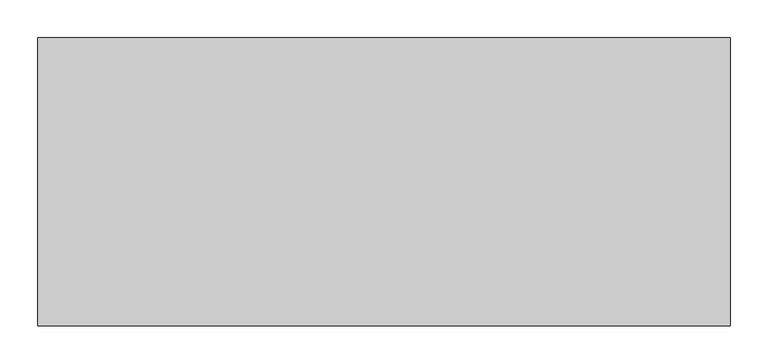
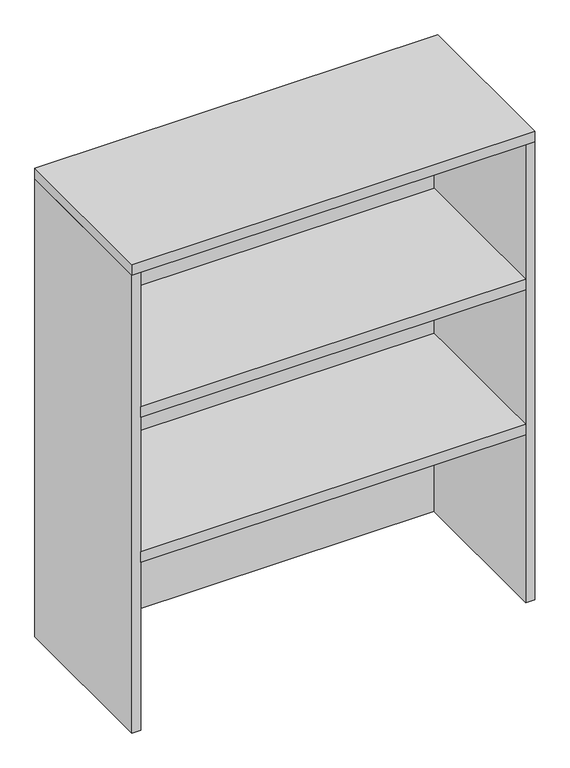
"""IFC4 building model written with IfcOpenShell, lengths in millimetres: furniture geometry."""

import ifcopenshell
import ifcopenshell.guid

model = None  # the IFC model being written
_history = None  # IfcOwnerHistory: only IFC2X3 demands one
_inside = {}  # id of a spatial element -> (the spatial element, [elements in it])
_under = {}  # id of a project, library or spatial element -> (it, [spatial elements below it])
_declared = {}  # id of a project -> (the project, [libraries it declares])
_typed = {}  # id of a type object -> (the type object, [elements of that type])
_made_of = {}  # id of a material, layer set ... -> (it, [elements and type objects made of it])


def new_model(schema):
    """Start an empty IFC model of exactly this schema.

    Asked for "IFC4X3", IfcOpenShell would pick the latest addendum, in which some entities
    have other attributes; the version numbers below select the first issue.
    IFC2X3 requires an IfcOwnerHistory on every rooted entity: one is made here for all.
    """
    global model, _history
    if schema == "IFC4X3":
        model = ifcopenshell.file(schema_version=(4, 3, 0, 0))
    else:
        model = ifcopenshell.file(schema=schema)
    _inside.clear()
    _under.clear()
    _declared.clear()
    _typed.clear()
    _made_of.clear()
    _history = None
    if model.schema == "IFC2X3":
        org = make("IfcOrganization", Name="unknown")
        user = make(
            "IfcPersonAndOrganization",
            ThePerson=make("IfcPerson", FamilyName="unknown"),
            TheOrganization=org,
        )
        app = make(
            "IfcApplication",
            ApplicationDeveloper=org,
            Version="unknown",
            ApplicationFullName="unknown",
            ApplicationIdentifier="unknown",
        )
        _history = make(
            "IfcOwnerHistory",
            OwningUser=user,
            OwningApplication=app,
            ChangeAction="ADDED",
            CreationDate=0,
        )
    return model


def make(cls, **values):
    """One entity of the class cls with the attributes given. An attribute that is None is left unset."""
    return model.create_entity(
        cls, **{name: value for name, value in values.items() if value is not None}
    )


def rooted(cls, **values):
    """An entity with a GlobalId (a new one), such as an element, a storey or a relation."""
    return make(cls, GlobalId=ifcopenshell.guid.new(), OwnerHistory=_history, **values)


def si_unit(unit_type, name, prefix=None):
    """IfcSIUnit, for example si_unit("LENGTHUNIT", "METRE", prefix="MILLI")."""
    return make("IfcSIUnit", UnitType=unit_type, Prefix=prefix, Name=name)


def assignment(units):
    """IfcUnitAssignment: the units of a project."""
    return None if units is None else make("IfcUnitAssignment", Units=units)


def point(xyz):
    """IfcCartesianPoint."""
    return None if xyz is None else make("IfcCartesianPoint", Coordinates=xyz)


def direction(xyz):
    """IfcDirection."""
    return None if xyz is None else make("IfcDirection", DirectionRatios=xyz)


def frame(location, z_axis=None, x_axis=None):
    """IfcAxis2Placement3D, a coordinate frame: its origin and axes. An axis left out is left unset."""
    return make(
        "IfcAxis2Placement3D",
        Location=point(location),
        Axis=direction(z_axis),
        RefDirection=direction(x_axis),
    )


def origin():
    """The frame at (0, 0, 0) with its axes left unset."""
    return frame((0.0, 0.0, 0.0))


def place(relative_to, where):
    """IfcLocalPlacement: puts the frame where relative to a parent placement (None: the world)."""
    return make(
        "IfcLocalPlacement", PlacementRelTo=relative_to, RelativePlacement=where
    )


def context(
    kind, dimensions, precision=None, world=None, true_north=None, identifier=None
):
    """IfcGeometricRepresentationContext, for example the 3D "Model" context."""
    return make(
        "IfcGeometricRepresentationContext",
        ContextIdentifier=identifier,
        ContextType=kind,
        CoordinateSpaceDimension=dimensions,
        Precision=precision,
        WorldCoordinateSystem=world,
        TrueNorth=true_north,
    )


def project(units=None, contexts=None):
    """IfcProject with its units and contexts."""
    return rooted(
        "IfcProject",
        Name="project",
        RepresentationContexts=contexts,
        UnitsInContext=assignment(units),
    )


def spatial(cls, under=None, at=None, **own):
    """A site, building, storey or space (cls), placed at a placement, below another one or the project."""
    s = rooted(cls, ObjectPlacement=at, **own)
    if under is not None:
        _under.setdefault(under.id(), (under, []))[1].append(s)
    return s


def polyline(points):
    """IfcPolyline through the points."""
    return make("IfcPolyline", Points=[point(p) for p in points])


def outline(outer, holes=None, kind="AREA"):
    """IfcArbitraryClosedProfileDef: a profile drawn as a closed curve; with holes, ...WithVoids."""
    if holes is None:
        return make("IfcArbitraryClosedProfileDef", ProfileType=kind, OuterCurve=outer)
    return make(
        "IfcArbitraryProfileDefWithVoids",
        ProfileType=kind,
        OuterCurve=outer,
        InnerCurves=holes,
    )


def extrude(swept, where, along, depth):
    """IfcExtrudedAreaSolid: the profile swept, set in the frame where, extruded along a direction by depth."""
    return make(
        "IfcExtrudedAreaSolid",
        SweptArea=swept,
        Position=where,
        ExtrudedDirection=direction(along),
        Depth=depth,
    )


def shape(context_of_items, identifier, shape_type, items):
    """IfcShapeRepresentation: the items that make up one representation, for example the "Body"."""
    return make(
        "IfcShapeRepresentation",
        ContextOfItems=context_of_items,
        RepresentationIdentifier=identifier,
        RepresentationType=shape_type,
        Items=items,
    )


def source(mapping_origin, context_of_items, identifier, shape_type, items):
    """IfcRepresentationMap: a shape defined once, which mapped items show again and again."""
    return make(
        "IfcRepresentationMap",
        MappingOrigin=mapping_origin,
        MappedRepresentation=shape(context_of_items, identifier, shape_type, items),
    )


def transform(
    local_origin,
    x_axis=None,
    y_axis=None,
    z_axis=None,
    scale=None,
    scale2=None,
    scale3=None,
    uniform=True,
):
    """IfcCartesianTransformationOperator3D, or its non-uniform kind. x_axis, y_axis, z_axis: its Axis1, 2, 3."""
    if uniform:
        return make(
            "IfcCartesianTransformationOperator3D",
            Axis1=direction(x_axis),
            Axis2=direction(y_axis),
            LocalOrigin=point(local_origin),
            Scale=scale,
            Axis3=direction(z_axis),
        )
    return make(
        "IfcCartesianTransformationOperator3DnonUniform",
        Axis1=direction(x_axis),
        Axis2=direction(y_axis),
        LocalOrigin=point(local_origin),
        Scale=scale,
        Axis3=direction(z_axis),
        Scale2=scale2,
        Scale3=scale3,
    )


def mapped(mapping_source, mapping_target):
    """IfcMappedItem: shows the shape of a source again, moved by a transform."""
    return make(
        "IfcMappedItem", MappingSource=mapping_source, MappingTarget=mapping_target
    )


def made_of(thing, what):
    """Note that an element or type object is made of a material, layer set ...; save() writes the relation."""
    if what is not None:
        _made_of.setdefault(what.id(), (what, []))[1].append(thing)
    return thing


def element(
    cls,
    number,
    at=None,
    inside=None,
    cuts=None,
    type_object=None,
    material=None,
    context=None,
    identifier="Body",
    shape_type=None,
    held_by="IfcProductDefinitionShape",
    body=None,
    shapes=None,
    **own,
):
    """One element of the class cls, such as IfcWall. Its Tag is "e" and its number.

    at: its placement. inside: the storey or other place that contains it. cuts: it is an
    opening in that element (IfcRelVoidsElement). A single representation is given by context,
    identifier, shape_type and body (its items); several are given by shapes. held_by: the class
    of the entity that holds the representations. save() writes the other relations.
    """
    e = rooted(cls, Tag="e%d" % number, ObjectPlacement=at, **own)
    if body is not None:
        shapes = [shape(context, identifier, shape_type, body)]
    if shapes is not None:
        e.Representation = make(held_by, Representations=shapes)
    if inside is not None:
        _inside.setdefault(inside.id(), (inside, []))[1].append(e)
    if cuts is not None:
        rooted(
            "IfcRelVoidsElement", RelatingBuildingElement=cuts, RelatedOpeningElement=e
        )
    if type_object is not None:
        _typed.setdefault(type_object.id(), (type_object, []))[1].append(e)
    return made_of(e, material)


def aggregate(whole, parts):
    """IfcRelAggregates: a whole, such as a stair, and the parts it consists of."""
    return rooted("IfcRelAggregates", RelatingObject=whole, RelatedObjects=parts)


def save(model, path):
    """Write the relations noted so far, then the file.

    IfcRelAggregates (storeys below a building ...), IfcRelContainedInSpatialStructure (elements
    in a storey), IfcRelDefinesByType, IfcRelAssociatesMaterial and IfcRelDeclares: one each for
    every whole, place, type object, material and project.
    """
    for whole, parts in _under.values():
        aggregate(whole, parts)
    for where, things in _inside.values():
        rooted(
            "IfcRelContainedInSpatialStructure",
            RelatedElements=things,
            RelatingStructure=where,
        )
    for kind, things in _typed.values():
        rooted("IfcRelDefinesByType", RelatedObjects=things, RelatingType=kind)
    for what, things in _made_of.values():
        rooted("IfcRelAssociatesMaterial", RelatedObjects=things, RelatingMaterial=what)
    for by, libraries in _declared.values():
        rooted("IfcRelDeclares", RelatingContext=by, RelatedDefinitions=libraries)
    model.write(path)


def furniture_4884305b(model_context):
    return source(origin(), model_context, "Body", "SweptSolid", [
        extrude(outline(polyline([(436.88, -190.5), (-436.88, -190.5), (-436.88, 170.18), (436.88, 170.18), (436.88, -190.5)])), frame((0.0, 0.0, 1472.7428), z_axis=(0.0, 0.0, 1.0), x_axis=(1.0, 0.0, 0.0)), (0.0, 0.0, 1.0), 25.4),
        extrude(outline(polyline([(436.88, -190.5), (-436.88, -190.5), (-436.88, 170.18), (436.88, 170.18), (436.88, -190.5)])), frame((0.0, 0.0, 1124.6104), z_axis=(0.0, 0.0, 1.0), x_axis=(1.0, 0.0, 0.0)), (0.0, 0.0, 1.0), 25.4),
        extrude(outline(polyline([(457.2, 190.5), (457.2, -190.5), (-457.2, -190.5), (-457.2, 190.5), (457.2, 190.5)])), frame((0.0, 0.0, 1820.8752), z_axis=(0.0, 0.0, 1.0), x_axis=(1.0, 0.0, 0.0)), (0.0, 0.0, 1.0), 25.4),
        extrude(outline(polyline([(436.88, 190.5), (436.88, 170.18), (-436.88, 170.18), (-436.88, 190.5), (436.88, 190.5)])), frame((0.0, 0.0, 722.3252), z_axis=(0.0, 0.0, 1.0), x_axis=(1.0, 0.0, 0.0)), (0.0, 0.0, 1.0), 1098.55),
        extrude(outline(polyline([(-457.2, -190.5), (-457.2, 190.5), (-436.88, 190.5), (-436.88, -190.5), (-457.2, -190.5)])), frame((0.0, 0.0, 722.3252), z_axis=(0.0, 0.0, 1.0), x_axis=(1.0, 0.0, 0.0)), (0.0, 0.0, 1.0), 1098.55),
        extrude(outline(polyline([(457.2, -190.5), (436.88, -190.5), (436.88, 190.5), (457.2, 190.5), (457.2, -190.5)])), frame((0.0, 0.0, 722.3252), z_axis=(0.0, 0.0, 1.0), x_axis=(1.0, 0.0, 0.0)), (0.0, 0.0, 1.0), 1098.55),
    ])


if __name__ == "__main__":
    model = new_model("IFC4")
    model_context = context("Model", 3, world=origin())
    ifc_project = project(units=[si_unit("LENGTHUNIT", "METRE", prefix="MILLI")], contexts=[model_context])
    site = spatial("IfcSite", under=ifc_project)
    building = spatial("IfcBuilding", under=site)
    placement = place(None, origin())
    furniture_shape = furniture_4884305b(model_context)
    element("IfcFurniture", 1, at=placement, inside=building, context=model_context, shape_type="MappedRepresentation", body=[
        mapped(furniture_shape, transform((0.0, 0.0, 0.0), x_axis=(1.0, 0.0, 0.0), y_axis=(0.0, 1.0, 0.0), z_axis=(0.0, 0.0, 1.0))),
    ])
    save(model, "model.ifc")
